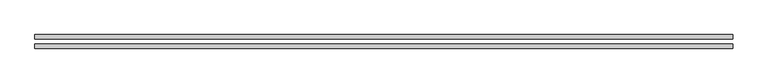
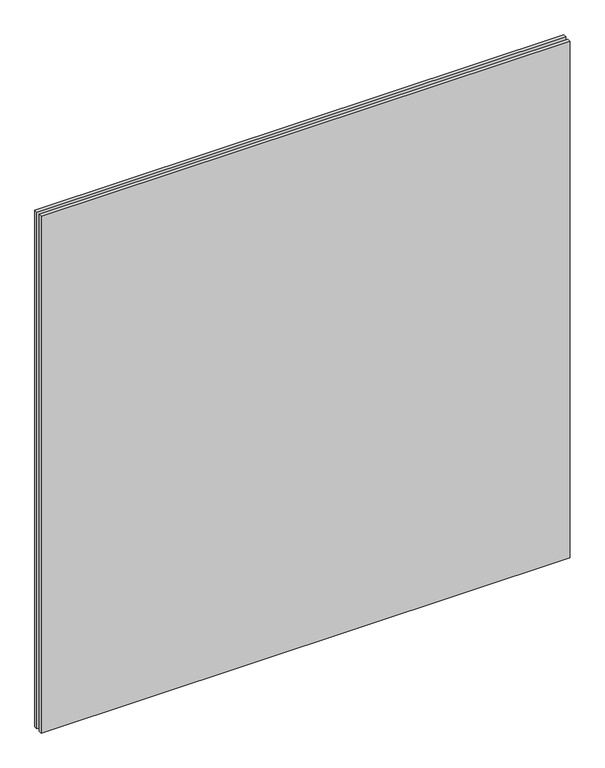
"""IFC4 building model written with IfcOpenShell, lengths in millimetres: plate geometry."""

from ifc_helpers import new_model, si_unit, origin, origin_with_axes, place, context, project, spatial, polyline, outline, extrude, source, transform, mapped, element, save


def plate_00e50252(model_context):
    return source(origin(), model_context, "Body", "SweptSolid", [
        extrude(outline(polyline([(620.0, -34.8), (-620.0, -34.8), (-620.0, -26.8), (620.0, -26.8), (620.0, -34.8)])), origin_with_axes(), (0.0, 0.0, 1.0), 1280.0),
        extrude(outline(polyline([(620.0, -17.8), (-620.0, -17.8), (-620.0, -9.8), (620.0, -9.8), (620.0, -17.8)])), origin_with_axes(), (0.0, 0.0, 1.0), 1280.0),
    ])


if __name__ == "__main__":
    model = new_model("IFC4")
    model_context = context("Model", 3, world=origin())
    ifc_project = project(units=[si_unit("LENGTHUNIT", "METRE", prefix="MILLI")], contexts=[model_context])
    site = spatial("IfcSite", under=ifc_project)
    building = spatial("IfcBuilding", under=site)
    placement = place(None, origin())
    plate_shape = plate_00e50252(model_context)
    element("IfcPlate", 1, at=placement, inside=building, context=model_context, shape_type="MappedRepresentation", body=[
        mapped(plate_shape, transform((0.0, 0.0, 0.0), x_axis=(1.0, 0.0, 0.0), y_axis=(0.0, 1.0, 0.0), z_axis=(0.0, 0.0, 1.0))),
    ])
    save(model, "model.ifc")
